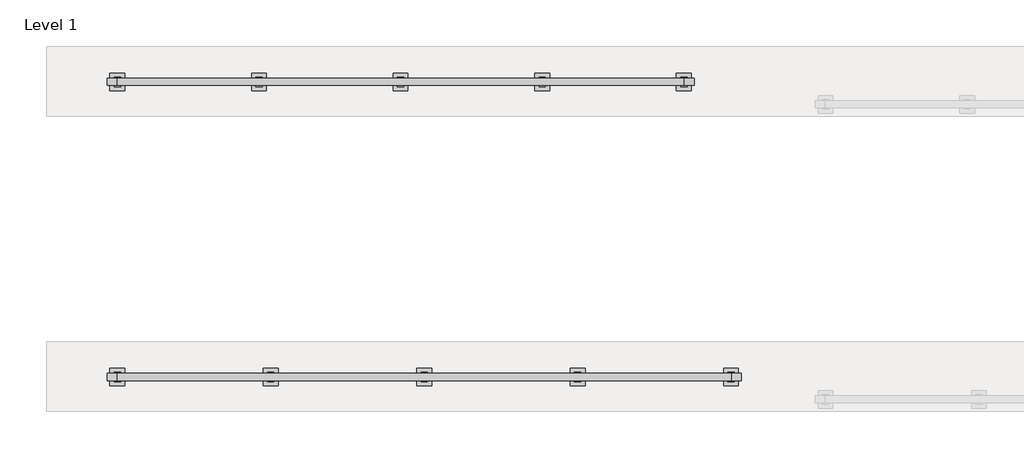
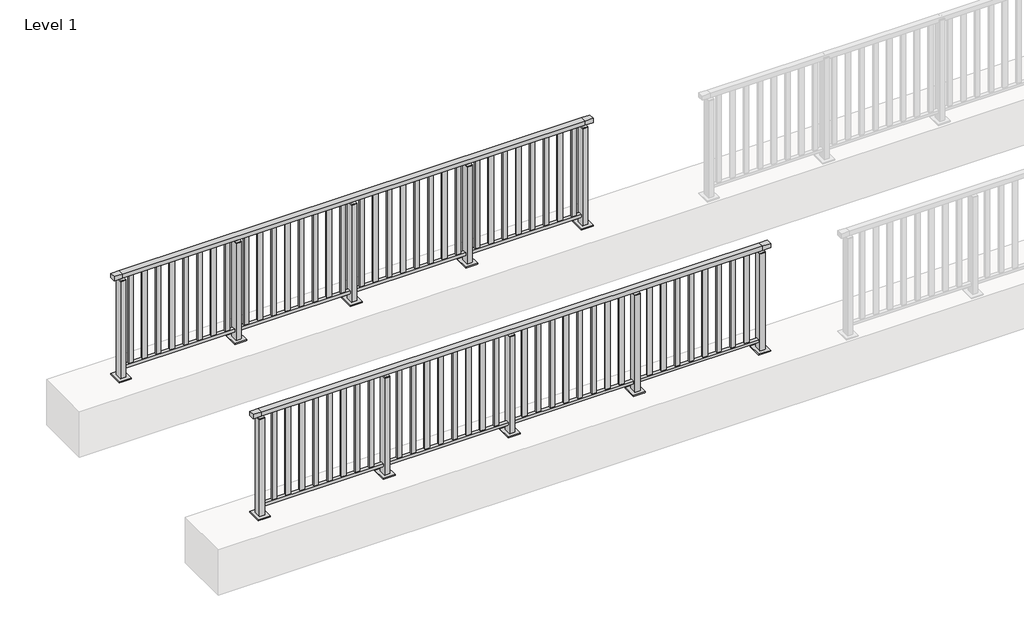
# One storey, part 26 of 38: 2 railings.
"""IFC4 building model written with IfcOpenShell, lengths in millimetres."""

from ifc_helpers import new_model, si_unit, frame, origin, origin_with_axes, place, context, project, spatial, polyline, outline, extrude, faceted_brep, element, save

model = new_model("IFC4")

# Units and contexts
model_context = context("Model", 3, world=origin())
ifc_project = project(units=[si_unit("LENGTHUNIT", "METRE", prefix="MILLI")], contexts=[model_context])

# Site, building, storey
site = spatial("IfcSite", under=ifc_project)
building = spatial("IfcBuilding", under=site)
storey = spatial("IfcBuildingStorey", under=building, Name="Level 1", Elevation=0.0)

# Railings
placement = place(None, origin())
element("IfcRailing", 1, at=placement, inside=storey, context=model_context, shape_type="SolidModel", body=[
    faceted_brep([(0.0, 45220.1846828, 1102.5), (0.0, 45220.1846828, 1150.0), (5200.0, 45220.1846828, 1150.0), (5200.0, 45220.1846828, 1102.5), (0.0, 45160.1846828, 1102.5), (5200.0, 45160.1846828, 1102.5), (0.0, 45160.1846828, 1150.0), (5200.0, 45160.1846828, 1150.0), (-87.5, 45220.1846828, 1150.0), (-87.5, 45220.1846828, 1102.5), (-87.5, 45160.1846828, 1102.5), (-87.5, 45160.1846828, 1150.0), (5287.5, 45220.1846828, 1150.0), (5287.5, 45160.1846828, 1150.0), (5287.5, 45160.1846828, 1102.5), (5287.5, 45220.1846828, 1102.5)], [[[0, 1, 2, 3]], [[4, 0, 3, 5]], [[6, 4, 5, 7]], [[1, 6, 7, 2]], [[8, 9, 10, 11]], [[9, 8, 1, 0]], [[10, 9, 0, 4]], [[11, 10, 4, 6]], [[8, 11, 6, 1]], [[12, 13, 14, 15]], [[3, 2, 12, 15]], [[5, 3, 15, 14]], [[7, 5, 14, 13]], [[2, 7, 13, 12]]]),
    extrude(outline(polyline([(0.0, 45172.1846828), (0.0, 45208.1846828), (5200.0, 45208.1846828), (5200.0, 45172.1846828), (0.0, 45172.1846828)])), frame((0.0, 0.0, 93.0), z_axis=(0.0, 0.0, 1.0), x_axis=(1.0, 0.0, 0.0)), (0.0, 0.0, 1.0), 32.0),
    extrude(outline(polyline([(5078.5106952, 45198.6846828), (5078.5106952, 45181.6846828), (5029.5106952, 45181.6846828), (5029.5106952, 45198.6846828), (5078.5106952, 45198.6846828)])), frame((0.0, 0.0, 125.0), z_axis=(0.0, 0.0, 1.0), x_axis=(1.0, 0.0, 0.0)), (0.0, 0.0, 1.0), 980.0),
    extrude(outline(polyline([(4934.5076394, 45198.6846828), (4934.5076394, 45181.6846828), (4885.5076394, 45181.6846828), (4885.5076394, 45198.6846828), (4934.5076394, 45198.6846828)])), frame((0.0, 0.0, 125.0), z_axis=(0.0, 0.0, 1.0), x_axis=(1.0, 0.0, 0.0)), (0.0, 0.0, 1.0), 980.0),
    extrude(outline(polyline([(4790.5045837, 45198.6846828), (4790.5045837, 45181.6846828), (4741.5045837, 45181.6846828), (4741.5045837, 45198.6846828), (4790.5045837, 45198.6846828)])), frame((0.0, 0.0, 125.0), z_axis=(0.0, 0.0, 1.0), x_axis=(1.0, 0.0, 0.0)), (0.0, 0.0, 1.0), 980.0),
    extrude(outline(polyline([(4646.5015279, 45198.6846828), (4646.5015279, 45181.6846828), (4597.5015279, 45181.6846828), (4597.5015279, 45198.6846828), (4646.5015279, 45198.6846828)])), frame((0.0, 0.0, 125.0), z_axis=(0.0, 0.0, 1.0), x_axis=(1.0, 0.0, 0.0)), (0.0, 0.0, 1.0), 980.0),
    extrude(outline(polyline([(4502.4984721, 45198.6846828), (4502.4984721, 45181.6846828), (4453.4984721, 45181.6846828), (4453.4984721, 45198.6846828), (4502.4984721, 45198.6846828)])), frame((0.0, 0.0, 125.0), z_axis=(0.0, 0.0, 1.0), x_axis=(1.0, 0.0, 0.0)), (0.0, 0.0, 1.0), 980.0),
    extrude(outline(polyline([(4358.4954163, 45198.6846828), (4358.4954163, 45181.6846828), (4309.4954163, 45181.6846828), (4309.4954163, 45198.6846828), (4358.4954163, 45198.6846828)])), frame((0.0, 0.0, 125.0), z_axis=(0.0, 0.0, 1.0), x_axis=(1.0, 0.0, 0.0)), (0.0, 0.0, 1.0), 980.0),
    extrude(outline(polyline([(4214.4923606, 45198.6846828), (4214.4923606, 45181.6846828), (4165.4923606, 45181.6846828), (4165.4923606, 45198.6846828), (4214.4923606, 45198.6846828)])), frame((0.0, 0.0, 125.0), z_axis=(0.0, 0.0, 1.0), x_axis=(1.0, 0.0, 0.0)), (0.0, 0.0, 1.0), 980.0),
    extrude(outline(polyline([(4070.4893048, 45198.6846828), (4070.4893048, 45181.6846828), (4021.4893048, 45181.6846828), (4021.4893048, 45198.6846828), (4070.4893048, 45198.6846828)])), frame((0.0, 0.0, 125.0), z_axis=(0.0, 0.0, 1.0), x_axis=(1.0, 0.0, 0.0)), (0.0, 0.0, 1.0), 980.0),
    extrude(outline(polyline([(3910.0, 45180.1846828), (3890.0, 45180.1846828), (3890.0, 45200.1846828), (3910.0, 45200.1846828), (3910.0, 45180.1846828)])), frame((0.0, 0.0, 1085.0), z_axis=(0.0, 0.0, 1.0), x_axis=(1.0, 0.0, 0.0)), (0.0, 0.0, 1.0), 20.0),
    extrude(outline(polyline([(3927.0, 45151.1846828), (3873.0, 45151.1846828), (3873.0, 45229.1846828), (3927.0, 45229.1846828), (3927.0, 45151.1846828)])), frame((0.0, 0.0, 1077.0), z_axis=(0.0, 0.0, 1.0), x_axis=(1.0, 0.0, 0.0)), (0.0, 0.0, 1.0), 8.0),
    extrude(outline(polyline([(3962.5, 45115.1846828), (3837.5, 45115.1846828), (3837.5, 45265.1846828), (3962.5, 45265.1846828), (3962.5, 45115.1846828)])), origin_with_axes(), (0.0, 0.0, 1.0), 12.0),
    extrude(outline(polyline([(3927.0, 45151.1846828), (3873.0, 45151.1846828), (3873.0, 45229.1846828), (3927.0, 45229.1846828), (3927.0, 45151.1846828)])), frame((0.0, 0.0, 12.0), z_axis=(0.0, 0.0, 1.0), x_axis=(1.0, 0.0, 0.0)), (0.0, 0.0, 1.0), 1065.0),
    extrude(outline(polyline([(3778.5106952, 45198.6846828), (3778.5106952, 45181.6846828), (3729.5106952, 45181.6846828), (3729.5106952, 45198.6846828), (3778.5106952, 45198.6846828)])), frame((0.0, 0.0, 125.0), z_axis=(0.0, 0.0, 1.0), x_axis=(1.0, 0.0, 0.0)), (0.0, 0.0, 1.0), 980.0),
    extrude(outline(polyline([(3634.5076394, 45198.6846828), (3634.5076394, 45181.6846828), (3585.5076394, 45181.6846828), (3585.5076394, 45198.6846828), (3634.5076394, 45198.6846828)])), frame((0.0, 0.0, 125.0), z_axis=(0.0, 0.0, 1.0), x_axis=(1.0, 0.0, 0.0)), (0.0, 0.0, 1.0), 980.0),
    extrude(outline(polyline([(3490.5045837, 45198.6846828), (3490.5045837, 45181.6846828), (3441.5045837, 45181.6846828), (3441.5045837, 45198.6846828), (3490.5045837, 45198.6846828)])), frame((0.0, 0.0, 125.0), z_axis=(0.0, 0.0, 1.0), x_axis=(1.0, 0.0, 0.0)), (0.0, 0.0, 1.0), 980.0),
    extrude(outline(polyline([(3346.5015279, 45198.6846828), (3346.5015279, 45181.6846828), (3297.5015279, 45181.6846828), (3297.5015279, 45198.6846828), (3346.5015279, 45198.6846828)])), frame((0.0, 0.0, 125.0), z_axis=(0.0, 0.0, 1.0), x_axis=(1.0, 0.0, 0.0)), (0.0, 0.0, 1.0), 980.0),
    extrude(outline(polyline([(3202.4984721, 45198.6846828), (3202.4984721, 45181.6846828), (3153.4984721, 45181.6846828), (3153.4984721, 45198.6846828), (3202.4984721, 45198.6846828)])), frame((0.0, 0.0, 125.0), z_axis=(0.0, 0.0, 1.0), x_axis=(1.0, 0.0, 0.0)), (0.0, 0.0, 1.0), 980.0),
    extrude(outline(polyline([(3058.4954163, 45198.6846828), (3058.4954163, 45181.6846828), (3009.4954163, 45181.6846828), (3009.4954163, 45198.6846828), (3058.4954163, 45198.6846828)])), frame((0.0, 0.0, 125.0), z_axis=(0.0, 0.0, 1.0), x_axis=(1.0, 0.0, 0.0)), (0.0, 0.0, 1.0), 980.0),
    extrude(outline(polyline([(2914.4923606, 45198.6846828), (2914.4923606, 45181.6846828), (2865.4923606, 45181.6846828), (2865.4923606, 45198.6846828), (2914.4923606, 45198.6846828)])), frame((0.0, 0.0, 125.0), z_axis=(0.0, 0.0, 1.0), x_axis=(1.0, 0.0, 0.0)), (0.0, 0.0, 1.0), 980.0),
    extrude(outline(polyline([(2770.4893048, 45198.6846828), (2770.4893048, 45181.6846828), (2721.4893048, 45181.6846828), (2721.4893048, 45198.6846828), (2770.4893048, 45198.6846828)])), frame((0.0, 0.0, 125.0), z_axis=(0.0, 0.0, 1.0), x_axis=(1.0, 0.0, 0.0)), (0.0, 0.0, 1.0), 980.0),
    extrude(outline(polyline([(2610.0, 45180.1846828), (2590.0, 45180.1846828), (2590.0, 45200.1846828), (2610.0, 45200.1846828), (2610.0, 45180.1846828)])), frame((0.0, 0.0, 1085.0), z_axis=(0.0, 0.0, 1.0), x_axis=(1.0, 0.0, 0.0)), (0.0, 0.0, 1.0), 20.0),
    extrude(outline(polyline([(2627.0, 45151.1846828), (2573.0, 45151.1846828), (2573.0, 45229.1846828), (2627.0, 45229.1846828), (2627.0, 45151.1846828)])), frame((0.0, 0.0, 1077.0), z_axis=(0.0, 0.0, 1.0), x_axis=(1.0, 0.0, 0.0)), (0.0, 0.0, 1.0), 8.0),
    extrude(outline(polyline([(2662.5, 45115.1846828), (2537.5, 45115.1846828), (2537.5, 45265.1846828), (2662.5, 45265.1846828), (2662.5, 45115.1846828)])), origin_with_axes(), (0.0, 0.0, 1.0), 12.0),
    extrude(outline(polyline([(2627.0, 45151.1846828), (2573.0, 45151.1846828), (2573.0, 45229.1846828), (2627.0, 45229.1846828), (2627.0, 45151.1846828)])), frame((0.0, 0.0, 12.0), z_axis=(0.0, 0.0, 1.0), x_axis=(1.0, 0.0, 0.0)), (0.0, 0.0, 1.0), 1065.0),
    extrude(outline(polyline([(2478.5106952, 45198.6846828), (2478.5106952, 45181.6846828), (2429.5106952, 45181.6846828), (2429.5106952, 45198.6846828), (2478.5106952, 45198.6846828)])), frame((0.0, 0.0, 125.0), z_axis=(0.0, 0.0, 1.0), x_axis=(1.0, 0.0, 0.0)), (0.0, 0.0, 1.0), 980.0),
    extrude(outline(polyline([(2334.5076394, 45198.6846828), (2334.5076394, 45181.6846828), (2285.5076394, 45181.6846828), (2285.5076394, 45198.6846828), (2334.5076394, 45198.6846828)])), frame((0.0, 0.0, 125.0), z_axis=(0.0, 0.0, 1.0), x_axis=(1.0, 0.0, 0.0)), (0.0, 0.0, 1.0), 980.0),
    extrude(outline(polyline([(2190.5045837, 45198.6846828), (2190.5045837, 45181.6846828), (2141.5045837, 45181.6846828), (2141.5045837, 45198.6846828), (2190.5045837, 45198.6846828)])), frame((0.0, 0.0, 125.0), z_axis=(0.0, 0.0, 1.0), x_axis=(1.0, 0.0, 0.0)), (0.0, 0.0, 1.0), 980.0),
    extrude(outline(polyline([(2046.5015279, 45198.6846828), (2046.5015279, 45181.6846828), (1997.5015279, 45181.6846828), (1997.5015279, 45198.6846828), (2046.5015279, 45198.6846828)])), frame((0.0, 0.0, 125.0), z_axis=(0.0, 0.0, 1.0), x_axis=(1.0, 0.0, 0.0)), (0.0, 0.0, 1.0), 980.0),
    extrude(outline(polyline([(1902.4984721, 45198.6846828), (1902.4984721, 45181.6846828), (1853.4984721, 45181.6846828), (1853.4984721, 45198.6846828), (1902.4984721, 45198.6846828)])), frame((0.0, 0.0, 125.0), z_axis=(0.0, 0.0, 1.0), x_axis=(1.0, 0.0, 0.0)), (0.0, 0.0, 1.0), 980.0),
    extrude(outline(polyline([(1758.4954163, 45198.6846828), (1758.4954163, 45181.6846828), (1709.4954163, 45181.6846828), (1709.4954163, 45198.6846828), (1758.4954163, 45198.6846828)])), frame((0.0, 0.0, 125.0), z_axis=(0.0, 0.0, 1.0), x_axis=(1.0, 0.0, 0.0)), (0.0, 0.0, 1.0), 980.0),
    extrude(outline(polyline([(1614.4923606, 45198.6846828), (1614.4923606, 45181.6846828), (1565.4923606, 45181.6846828), (1565.4923606, 45198.6846828), (1614.4923606, 45198.6846828)])), frame((0.0, 0.0, 125.0), z_axis=(0.0, 0.0, 1.0), x_axis=(1.0, 0.0, 0.0)), (0.0, 0.0, 1.0), 980.0),
    extrude(outline(polyline([(1470.4893048, 45198.6846828), (1470.4893048, 45181.6846828), (1421.4893048, 45181.6846828), (1421.4893048, 45198.6846828), (1470.4893048, 45198.6846828)])), frame((0.0, 0.0, 125.0), z_axis=(0.0, 0.0, 1.0), x_axis=(1.0, 0.0, 0.0)), (0.0, 0.0, 1.0), 980.0),
    extrude(outline(polyline([(1310.0, 45180.1846828), (1290.0, 45180.1846828), (1290.0, 45200.1846828), (1310.0, 45200.1846828), (1310.0, 45180.1846828)])), frame((0.0, 0.0, 1085.0), z_axis=(0.0, 0.0, 1.0), x_axis=(1.0, 0.0, 0.0)), (0.0, 0.0, 1.0), 20.0),
    extrude(outline(polyline([(1327.0, 45151.1846828), (1273.0, 45151.1846828), (1273.0, 45229.1846828), (1327.0, 45229.1846828), (1327.0, 45151.1846828)])), frame((0.0, 0.0, 1077.0), z_axis=(0.0, 0.0, 1.0), x_axis=(1.0, 0.0, 0.0)), (0.0, 0.0, 1.0), 8.0),
    extrude(outline(polyline([(1362.5, 45115.1846828), (1237.5, 45115.1846828), (1237.5, 45265.1846828), (1362.5, 45265.1846828), (1362.5, 45115.1846828)])), origin_with_axes(), (0.0, 0.0, 1.0), 12.0),
    extrude(outline(polyline([(1327.0, 45151.1846828), (1273.0, 45151.1846828), (1273.0, 45229.1846828), (1327.0, 45229.1846828), (1327.0, 45151.1846828)])), frame((0.0, 0.0, 12.0), z_axis=(0.0, 0.0, 1.0), x_axis=(1.0, 0.0, 0.0)), (0.0, 0.0, 1.0), 1065.0),
    extrude(outline(polyline([(1178.5106952, 45198.6846828), (1178.5106952, 45181.6846828), (1129.5106952, 45181.6846828), (1129.5106952, 45198.6846828), (1178.5106952, 45198.6846828)])), frame((0.0, 0.0, 125.0), z_axis=(0.0, 0.0, 1.0), x_axis=(1.0, 0.0, 0.0)), (0.0, 0.0, 1.0), 980.0),
    extrude(outline(polyline([(1034.5076394, 45198.6846828), (1034.5076394, 45181.6846828), (985.5076394, 45181.6846828), (985.5076394, 45198.6846828), (1034.5076394, 45198.6846828)])), frame((0.0, 0.0, 125.0), z_axis=(0.0, 0.0, 1.0), x_axis=(1.0, 0.0, 0.0)), (0.0, 0.0, 1.0), 980.0),
    extrude(outline(polyline([(890.5045837, 45198.6846828), (890.5045837, 45181.6846828), (841.5045837, 45181.6846828), (841.5045837, 45198.6846828), (890.5045837, 45198.6846828)])), frame((0.0, 0.0, 125.0), z_axis=(0.0, 0.0, 1.0), x_axis=(1.0, 0.0, 0.0)), (0.0, 0.0, 1.0), 980.0),
    extrude(outline(polyline([(746.5015279, 45198.6846828), (746.5015279, 45181.6846828), (697.5015279, 45181.6846828), (697.5015279, 45198.6846828), (746.5015279, 45198.6846828)])), frame((0.0, 0.0, 125.0), z_axis=(0.0, 0.0, 1.0), x_axis=(1.0, 0.0, 0.0)), (0.0, 0.0, 1.0), 980.0),
    extrude(outline(polyline([(602.4984721, 45198.6846828), (602.4984721, 45181.6846828), (553.4984721, 45181.6846828), (553.4984721, 45198.6846828), (602.4984721, 45198.6846828)])), frame((0.0, 0.0, 125.0), z_axis=(0.0, 0.0, 1.0), x_axis=(1.0, 0.0, 0.0)), (0.0, 0.0, 1.0), 980.0),
    extrude(outline(polyline([(458.4954163, 45198.6846828), (458.4954163, 45181.6846828), (409.4954163, 45181.6846828), (409.4954163, 45198.6846828), (458.4954163, 45198.6846828)])), frame((0.0, 0.0, 125.0), z_axis=(0.0, 0.0, 1.0), x_axis=(1.0, 0.0, 0.0)), (0.0, 0.0, 1.0), 980.0),
    extrude(outline(polyline([(314.4923606, 45198.6846828), (314.4923606, 45181.6846828), (265.4923606, 45181.6846828), (265.4923606, 45198.6846828), (314.4923606, 45198.6846828)])), frame((0.0, 0.0, 125.0), z_axis=(0.0, 0.0, 1.0), x_axis=(1.0, 0.0, 0.0)), (0.0, 0.0, 1.0), 980.0),
    extrude(outline(polyline([(170.4893048, 45198.6846828), (170.4893048, 45181.6846828), (121.4893048, 45181.6846828), (121.4893048, 45198.6846828), (170.4893048, 45198.6846828)])), frame((0.0, 0.0, 125.0), z_axis=(0.0, 0.0, 1.0), x_axis=(1.0, 0.0, 0.0)), (0.0, 0.0, 1.0), 980.0),
    extrude(outline(polyline([(5210.0, 45180.1846828), (5190.0, 45180.1846828), (5190.0, 45200.1846828), (5210.0, 45200.1846828), (5210.0, 45180.1846828)])), frame((0.0, 0.0, 1085.0), z_axis=(0.0, 0.0, 1.0), x_axis=(1.0, 0.0, 0.0)), (0.0, 0.0, 1.0), 20.0),
    extrude(outline(polyline([(5227.0, 45151.1846828), (5173.0, 45151.1846828), (5173.0, 45229.1846828), (5227.0, 45229.1846828), (5227.0, 45151.1846828)])), frame((0.0, 0.0, 1077.0), z_axis=(0.0, 0.0, 1.0), x_axis=(1.0, 0.0, 0.0)), (0.0, 0.0, 1.0), 8.0),
    extrude(outline(polyline([(5262.5, 45115.1846828), (5137.5, 45115.1846828), (5137.5, 45265.1846828), (5262.5, 45265.1846828), (5262.5, 45115.1846828)])), origin_with_axes(), (0.0, 0.0, 1.0), 12.0),
    extrude(outline(polyline([(5227.0, 45151.1846828), (5173.0, 45151.1846828), (5173.0, 45229.1846828), (5227.0, 45229.1846828), (5227.0, 45151.1846828)])), frame((0.0, 0.0, 12.0), z_axis=(0.0, 0.0, 1.0), x_axis=(1.0, 0.0, 0.0)), (0.0, 0.0, 1.0), 1065.0),
    extrude(outline(polyline([(10.0, 45180.1846828), (-10.0, 45180.1846828), (-10.0, 45200.1846828), (10.0, 45200.1846828), (10.0, 45180.1846828)])), frame((0.0, 0.0, 1085.0), z_axis=(0.0, 0.0, 1.0), x_axis=(1.0, 0.0, 0.0)), (0.0, 0.0, 1.0), 20.0),
    extrude(outline(polyline([(27.0, 45151.1846828), (-27.0, 45151.1846828), (-27.0, 45229.1846828), (27.0, 45229.1846828), (27.0, 45151.1846828)])), frame((0.0, 0.0, 1077.0), z_axis=(0.0, 0.0, 1.0), x_axis=(1.0, 0.0, 0.0)), (0.0, 0.0, 1.0), 8.0),
    extrude(outline(polyline([(62.5, 45115.1846828), (-62.5, 45115.1846828), (-62.5, 45265.1846828), (62.5, 45265.1846828), (62.5, 45115.1846828)])), origin_with_axes(), (0.0, 0.0, 1.0), 12.0),
    extrude(outline(polyline([(27.0, 45151.1846828), (-27.0, 45151.1846828), (-27.0, 45229.1846828), (27.0, 45229.1846828), (27.0, 45151.1846828)])), frame((0.0, 0.0, 12.0), z_axis=(0.0, 0.0, 1.0), x_axis=(1.0, 0.0, 0.0)), (0.0, 0.0, 1.0), 1065.0),
])
element("IfcRailing", 2, at=placement, inside=storey, context=model_context, shape_type="SolidModel", body=[
    faceted_brep([(0.0, 47720.1846828, 1102.5), (0.0, 47720.1846828, 1150.0), (4800.0, 47720.1846828, 1150.0), (4800.0, 47720.1846828, 1102.5), (0.0, 47660.1846828, 1102.5), (4800.0, 47660.1846828, 1102.5), (0.0, 47660.1846828, 1150.0), (4800.0, 47660.1846828, 1150.0), (-87.5, 47720.1846828, 1150.0), (-87.5, 47720.1846828, 1102.5), (-87.5, 47660.1846828, 1102.5), (-87.5, 47660.1846828, 1150.0), (4887.5, 47720.1846828, 1150.0), (4887.5, 47660.1846828, 1150.0), (4887.5, 47660.1846828, 1102.5), (4887.5, 47720.1846828, 1102.5)], [[[0, 1, 2, 3]], [[4, 0, 3, 5]], [[6, 4, 5, 7]], [[1, 6, 7, 2]], [[8, 9, 10, 11]], [[9, 8, 1, 0]], [[10, 9, 0, 4]], [[11, 10, 4, 6]], [[8, 11, 6, 1]], [[12, 13, 14, 15]], [[3, 2, 12, 15]], [[5, 3, 15, 14]], [[7, 5, 14, 13]], [[2, 7, 13, 12]]]),
    extrude(outline(polyline([(0.0, 47672.1846828), (0.0, 47708.1846828), (4800.0, 47708.1846828), (4800.0, 47672.1846828), (0.0, 47672.1846828)])), frame((0.0, 0.0, 93.0), z_axis=(0.0, 0.0, 1.0), x_axis=(1.0, 0.0, 0.0)), (0.0, 0.0, 1.0), 32.0),
    extrude(outline(polyline([(4725.7345679, 47698.6846828), (4725.7345679, 47681.6846828), (4676.7345679, 47681.6846828), (4676.7345679, 47698.6846828), (4725.7345679, 47698.6846828)])), frame((0.0, 0.0, 125.0), z_axis=(0.0, 0.0, 1.0), x_axis=(1.0, 0.0, 0.0)), (0.0, 0.0, 1.0), 980.0),
    extrude(outline(polyline([(4582.5246914, 47698.6846828), (4582.5246914, 47681.6846828), (4533.5246914, 47681.6846828), (4533.5246914, 47698.6846828), (4582.5246914, 47698.6846828)])), frame((0.0, 0.0, 125.0), z_axis=(0.0, 0.0, 1.0), x_axis=(1.0, 0.0, 0.0)), (0.0, 0.0, 1.0), 980.0),
    extrude(outline(polyline([(4439.3148148, 47698.6846828), (4439.3148148, 47681.6846828), (4390.3148148, 47681.6846828), (4390.3148148, 47698.6846828), (4439.3148148, 47698.6846828)])), frame((0.0, 0.0, 125.0), z_axis=(0.0, 0.0, 1.0), x_axis=(1.0, 0.0, 0.0)), (0.0, 0.0, 1.0), 980.0),
    extrude(outline(polyline([(4296.1049383, 47698.6846828), (4296.1049383, 47681.6846828), (4247.1049383, 47681.6846828), (4247.1049383, 47698.6846828), (4296.1049383, 47698.6846828)])), frame((0.0, 0.0, 125.0), z_axis=(0.0, 0.0, 1.0), x_axis=(1.0, 0.0, 0.0)), (0.0, 0.0, 1.0), 980.0),
    extrude(outline(polyline([(4152.8950617, 47698.6846828), (4152.8950617, 47681.6846828), (4103.8950617, 47681.6846828), (4103.8950617, 47698.6846828), (4152.8950617, 47698.6846828)])), frame((0.0, 0.0, 125.0), z_axis=(0.0, 0.0, 1.0), x_axis=(1.0, 0.0, 0.0)), (0.0, 0.0, 1.0), 980.0),
    extrude(outline(polyline([(4009.6851852, 47698.6846828), (4009.6851852, 47681.6846828), (3960.6851852, 47681.6846828), (3960.6851852, 47698.6846828), (4009.6851852, 47698.6846828)])), frame((0.0, 0.0, 125.0), z_axis=(0.0, 0.0, 1.0), x_axis=(1.0, 0.0, 0.0)), (0.0, 0.0, 1.0), 980.0),
    extrude(outline(polyline([(3866.4753086, 47698.6846828), (3866.4753086, 47681.6846828), (3817.4753086, 47681.6846828), (3817.4753086, 47698.6846828), (3866.4753086, 47698.6846828)])), frame((0.0, 0.0, 125.0), z_axis=(0.0, 0.0, 1.0), x_axis=(1.0, 0.0, 0.0)), (0.0, 0.0, 1.0), 980.0),
    extrude(outline(polyline([(3723.2654321, 47698.6846828), (3723.2654321, 47681.6846828), (3674.2654321, 47681.6846828), (3674.2654321, 47698.6846828), (3723.2654321, 47698.6846828)])), frame((0.0, 0.0, 125.0), z_axis=(0.0, 0.0, 1.0), x_axis=(1.0, 0.0, 0.0)), (0.0, 0.0, 1.0), 980.0),
    extrude(outline(polyline([(3610.0, 47680.1846828), (3590.0, 47680.1846828), (3590.0, 47700.1846828), (3610.0, 47700.1846828), (3610.0, 47680.1846828)])), frame((0.0, 0.0, 1085.0), z_axis=(0.0, 0.0, 1.0), x_axis=(1.0, 0.0, 0.0)), (0.0, 0.0, 1.0), 20.0),
    extrude(outline(polyline([(3627.0, 47651.1846828), (3573.0, 47651.1846828), (3573.0, 47729.1846828), (3627.0, 47729.1846828), (3627.0, 47651.1846828)])), frame((0.0, 0.0, 1077.0), z_axis=(0.0, 0.0, 1.0), x_axis=(1.0, 0.0, 0.0)), (0.0, 0.0, 1.0), 8.0),
    extrude(outline(polyline([(3662.5, 47615.1846828), (3537.5, 47615.1846828), (3537.5, 47765.1846828), (3662.5, 47765.1846828), (3662.5, 47615.1846828)])), origin_with_axes(), (0.0, 0.0, 1.0), 12.0),
    extrude(outline(polyline([(3627.0, 47651.1846828), (3573.0, 47651.1846828), (3573.0, 47729.1846828), (3627.0, 47729.1846828), (3627.0, 47651.1846828)])), frame((0.0, 0.0, 12.0), z_axis=(0.0, 0.0, 1.0), x_axis=(1.0, 0.0, 0.0)), (0.0, 0.0, 1.0), 1065.0),
    extrude(outline(polyline([(3525.7345679, 47698.6846828), (3525.7345679, 47681.6846828), (3476.7345679, 47681.6846828), (3476.7345679, 47698.6846828), (3525.7345679, 47698.6846828)])), frame((0.0, 0.0, 125.0), z_axis=(0.0, 0.0, 1.0), x_axis=(1.0, 0.0, 0.0)), (0.0, 0.0, 1.0), 980.0),
    extrude(outline(polyline([(3382.5246914, 47698.6846828), (3382.5246914, 47681.6846828), (3333.5246914, 47681.6846828), (3333.5246914, 47698.6846828), (3382.5246914, 47698.6846828)])), frame((0.0, 0.0, 125.0), z_axis=(0.0, 0.0, 1.0), x_axis=(1.0, 0.0, 0.0)), (0.0, 0.0, 1.0), 980.0),
    extrude(outline(polyline([(3239.3148148, 47698.6846828), (3239.3148148, 47681.6846828), (3190.3148148, 47681.6846828), (3190.3148148, 47698.6846828), (3239.3148148, 47698.6846828)])), frame((0.0, 0.0, 125.0), z_axis=(0.0, 0.0, 1.0), x_axis=(1.0, 0.0, 0.0)), (0.0, 0.0, 1.0), 980.0),
    extrude(outline(polyline([(3096.1049383, 47698.6846828), (3096.1049383, 47681.6846828), (3047.1049383, 47681.6846828), (3047.1049383, 47698.6846828), (3096.1049383, 47698.6846828)])), frame((0.0, 0.0, 125.0), z_axis=(0.0, 0.0, 1.0), x_axis=(1.0, 0.0, 0.0)), (0.0, 0.0, 1.0), 980.0),
    extrude(outline(polyline([(2952.8950617, 47698.6846828), (2952.8950617, 47681.6846828), (2903.8950617, 47681.6846828), (2903.8950617, 47698.6846828), (2952.8950617, 47698.6846828)])), frame((0.0, 0.0, 125.0), z_axis=(0.0, 0.0, 1.0), x_axis=(1.0, 0.0, 0.0)), (0.0, 0.0, 1.0), 980.0),
    extrude(outline(polyline([(2809.6851852, 47698.6846828), (2809.6851852, 47681.6846828), (2760.6851852, 47681.6846828), (2760.6851852, 47698.6846828), (2809.6851852, 47698.6846828)])), frame((0.0, 0.0, 125.0), z_axis=(0.0, 0.0, 1.0), x_axis=(1.0, 0.0, 0.0)), (0.0, 0.0, 1.0), 980.0),
    extrude(outline(polyline([(2666.4753086, 47698.6846828), (2666.4753086, 47681.6846828), (2617.4753086, 47681.6846828), (2617.4753086, 47698.6846828), (2666.4753086, 47698.6846828)])), frame((0.0, 0.0, 125.0), z_axis=(0.0, 0.0, 1.0), x_axis=(1.0, 0.0, 0.0)), (0.0, 0.0, 1.0), 980.0),
    extrude(outline(polyline([(2523.2654321, 47698.6846828), (2523.2654321, 47681.6846828), (2474.2654321, 47681.6846828), (2474.2654321, 47698.6846828), (2523.2654321, 47698.6846828)])), frame((0.0, 0.0, 125.0), z_axis=(0.0, 0.0, 1.0), x_axis=(1.0, 0.0, 0.0)), (0.0, 0.0, 1.0), 980.0),
    extrude(outline(polyline([(2410.0, 47680.1846828), (2390.0, 47680.1846828), (2390.0, 47700.1846828), (2410.0, 47700.1846828), (2410.0, 47680.1846828)])), frame((0.0, 0.0, 1085.0), z_axis=(0.0, 0.0, 1.0), x_axis=(1.0, 0.0, 0.0)), (0.0, 0.0, 1.0), 20.0),
    extrude(outline(polyline([(2427.0, 47651.1846828), (2373.0, 47651.1846828), (2373.0, 47729.1846828), (2427.0, 47729.1846828), (2427.0, 47651.1846828)])), frame((0.0, 0.0, 1077.0), z_axis=(0.0, 0.0, 1.0), x_axis=(1.0, 0.0, 0.0)), (0.0, 0.0, 1.0), 8.0),
    extrude(outline(polyline([(2462.5, 47615.1846828), (2337.5, 47615.1846828), (2337.5, 47765.1846828), (2462.5, 47765.1846828), (2462.5, 47615.1846828)])), origin_with_axes(), (0.0, 0.0, 1.0), 12.0),
    extrude(outline(polyline([(2427.0, 47651.1846828), (2373.0, 47651.1846828), (2373.0, 47729.1846828), (2427.0, 47729.1846828), (2427.0, 47651.1846828)])), frame((0.0, 0.0, 12.0), z_axis=(0.0, 0.0, 1.0), x_axis=(1.0, 0.0, 0.0)), (0.0, 0.0, 1.0), 1065.0),
    extrude(outline(polyline([(2325.7345679, 47698.6846828), (2325.7345679, 47681.6846828), (2276.7345679, 47681.6846828), (2276.7345679, 47698.6846828), (2325.7345679, 47698.6846828)])), frame((0.0, 0.0, 125.0), z_axis=(0.0, 0.0, 1.0), x_axis=(1.0, 0.0, 0.0)), (0.0, 0.0, 1.0), 980.0),
    extrude(outline(polyline([(2182.5246914, 47698.6846828), (2182.5246914, 47681.6846828), (2133.5246914, 47681.6846828), (2133.5246914, 47698.6846828), (2182.5246914, 47698.6846828)])), frame((0.0, 0.0, 125.0), z_axis=(0.0, 0.0, 1.0), x_axis=(1.0, 0.0, 0.0)), (0.0, 0.0, 1.0), 980.0),
    extrude(outline(polyline([(2039.3148148, 47698.6846828), (2039.3148148, 47681.6846828), (1990.3148148, 47681.6846828), (1990.3148148, 47698.6846828), (2039.3148148, 47698.6846828)])), frame((0.0, 0.0, 125.0), z_axis=(0.0, 0.0, 1.0), x_axis=(1.0, 0.0, 0.0)), (0.0, 0.0, 1.0), 980.0),
    extrude(outline(polyline([(1896.1049383, 47698.6846828), (1896.1049383, 47681.6846828), (1847.1049383, 47681.6846828), (1847.1049383, 47698.6846828), (1896.1049383, 47698.6846828)])), frame((0.0, 0.0, 125.0), z_axis=(0.0, 0.0, 1.0), x_axis=(1.0, 0.0, 0.0)), (0.0, 0.0, 1.0), 980.0),
    extrude(outline(polyline([(1752.8950617, 47698.6846828), (1752.8950617, 47681.6846828), (1703.8950617, 47681.6846828), (1703.8950617, 47698.6846828), (1752.8950617, 47698.6846828)])), frame((0.0, 0.0, 125.0), z_axis=(0.0, 0.0, 1.0), x_axis=(1.0, 0.0, 0.0)), (0.0, 0.0, 1.0), 980.0),
    extrude(outline(polyline([(1609.6851852, 47698.6846828), (1609.6851852, 47681.6846828), (1560.6851852, 47681.6846828), (1560.6851852, 47698.6846828), (1609.6851852, 47698.6846828)])), frame((0.0, 0.0, 125.0), z_axis=(0.0, 0.0, 1.0), x_axis=(1.0, 0.0, 0.0)), (0.0, 0.0, 1.0), 980.0),
    extrude(outline(polyline([(1466.4753086, 47698.6846828), (1466.4753086, 47681.6846828), (1417.4753086, 47681.6846828), (1417.4753086, 47698.6846828), (1466.4753086, 47698.6846828)])), frame((0.0, 0.0, 125.0), z_axis=(0.0, 0.0, 1.0), x_axis=(1.0, 0.0, 0.0)), (0.0, 0.0, 1.0), 980.0),
    extrude(outline(polyline([(1323.2654321, 47698.6846828), (1323.2654321, 47681.6846828), (1274.2654321, 47681.6846828), (1274.2654321, 47698.6846828), (1323.2654321, 47698.6846828)])), frame((0.0, 0.0, 125.0), z_axis=(0.0, 0.0, 1.0), x_axis=(1.0, 0.0, 0.0)), (0.0, 0.0, 1.0), 980.0),
    extrude(outline(polyline([(1210.0, 47680.1846828), (1190.0, 47680.1846828), (1190.0, 47700.1846828), (1210.0, 47700.1846828), (1210.0, 47680.1846828)])), frame((0.0, 0.0, 1085.0), z_axis=(0.0, 0.0, 1.0), x_axis=(1.0, 0.0, 0.0)), (0.0, 0.0, 1.0), 20.0),
    extrude(outline(polyline([(1227.0, 47651.1846828), (1173.0, 47651.1846828), (1173.0, 47729.1846828), (1227.0, 47729.1846828), (1227.0, 47651.1846828)])), frame((0.0, 0.0, 1077.0), z_axis=(0.0, 0.0, 1.0), x_axis=(1.0, 0.0, 0.0)), (0.0, 0.0, 1.0), 8.0),
    extrude(outline(polyline([(1262.5, 47615.1846828), (1137.5, 47615.1846828), (1137.5, 47765.1846828), (1262.5, 47765.1846828), (1262.5, 47615.1846828)])), origin_with_axes(), (0.0, 0.0, 1.0), 12.0),
    extrude(outline(polyline([(1227.0, 47651.1846828), (1173.0, 47651.1846828), (1173.0, 47729.1846828), (1227.0, 47729.1846828), (1227.0, 47651.1846828)])), frame((0.0, 0.0, 12.0), z_axis=(0.0, 0.0, 1.0), x_axis=(1.0, 0.0, 0.0)), (0.0, 0.0, 1.0), 1065.0),
    extrude(outline(polyline([(1125.7345679, 47698.6846828), (1125.7345679, 47681.6846828), (1076.7345679, 47681.6846828), (1076.7345679, 47698.6846828), (1125.7345679, 47698.6846828)])), frame((0.0, 0.0, 125.0), z_axis=(0.0, 0.0, 1.0), x_axis=(1.0, 0.0, 0.0)), (0.0, 0.0, 1.0), 980.0),
    extrude(outline(polyline([(982.5246914, 47698.6846828), (982.5246914, 47681.6846828), (933.5246914, 47681.6846828), (933.5246914, 47698.6846828), (982.5246914, 47698.6846828)])), frame((0.0, 0.0, 125.0), z_axis=(0.0, 0.0, 1.0), x_axis=(1.0, 0.0, 0.0)), (0.0, 0.0, 1.0), 980.0),
    extrude(outline(polyline([(839.3148148, 47698.6846828), (839.3148148, 47681.6846828), (790.3148148, 47681.6846828), (790.3148148, 47698.6846828), (839.3148148, 47698.6846828)])), frame((0.0, 0.0, 125.0), z_axis=(0.0, 0.0, 1.0), x_axis=(1.0, 0.0, 0.0)), (0.0, 0.0, 1.0), 980.0),
    extrude(outline(polyline([(696.1049383, 47698.6846828), (696.1049383, 47681.6846828), (647.1049383, 47681.6846828), (647.1049383, 47698.6846828), (696.1049383, 47698.6846828)])), frame((0.0, 0.0, 125.0), z_axis=(0.0, 0.0, 1.0), x_axis=(1.0, 0.0, 0.0)), (0.0, 0.0, 1.0), 980.0),
    extrude(outline(polyline([(552.8950617, 47698.6846828), (552.8950617, 47681.6846828), (503.8950617, 47681.6846828), (503.8950617, 47698.6846828), (552.8950617, 47698.6846828)])), frame((0.0, 0.0, 125.0), z_axis=(0.0, 0.0, 1.0), x_axis=(1.0, 0.0, 0.0)), (0.0, 0.0, 1.0), 980.0),
    extrude(outline(polyline([(409.6851852, 47698.6846828), (409.6851852, 47681.6846828), (360.6851852, 47681.6846828), (360.6851852, 47698.6846828), (409.6851852, 47698.6846828)])), frame((0.0, 0.0, 125.0), z_axis=(0.0, 0.0, 1.0), x_axis=(1.0, 0.0, 0.0)), (0.0, 0.0, 1.0), 980.0),
    extrude(outline(polyline([(266.4753086, 47698.6846828), (266.4753086, 47681.6846828), (217.4753086, 47681.6846828), (217.4753086, 47698.6846828), (266.4753086, 47698.6846828)])), frame((0.0, 0.0, 125.0), z_axis=(0.0, 0.0, 1.0), x_axis=(1.0, 0.0, 0.0)), (0.0, 0.0, 1.0), 980.0),
    extrude(outline(polyline([(123.2654321, 47698.6846828), (123.2654321, 47681.6846828), (74.2654321, 47681.6846828), (74.2654321, 47698.6846828), (123.2654321, 47698.6846828)])), frame((0.0, 0.0, 125.0), z_axis=(0.0, 0.0, 1.0), x_axis=(1.0, 0.0, 0.0)), (0.0, 0.0, 1.0), 980.0),
    extrude(outline(polyline([(4810.0, 47680.1846828), (4790.0, 47680.1846828), (4790.0, 47700.1846828), (4810.0, 47700.1846828), (4810.0, 47680.1846828)])), frame((0.0, 0.0, 1085.0), z_axis=(0.0, 0.0, 1.0), x_axis=(1.0, 0.0, 0.0)), (0.0, 0.0, 1.0), 20.0),
    extrude(outline(polyline([(4827.0, 47651.1846828), (4773.0, 47651.1846828), (4773.0, 47729.1846828), (4827.0, 47729.1846828), (4827.0, 47651.1846828)])), frame((0.0, 0.0, 1077.0), z_axis=(0.0, 0.0, 1.0), x_axis=(1.0, 0.0, 0.0)), (0.0, 0.0, 1.0), 8.0),
    extrude(outline(polyline([(4862.5, 47615.1846828), (4737.5, 47615.1846828), (4737.5, 47765.1846828), (4862.5, 47765.1846828), (4862.5, 47615.1846828)])), origin_with_axes(), (0.0, 0.0, 1.0), 12.0),
    extrude(outline(polyline([(4827.0, 47651.1846828), (4773.0, 47651.1846828), (4773.0, 47729.1846828), (4827.0, 47729.1846828), (4827.0, 47651.1846828)])), frame((0.0, 0.0, 12.0), z_axis=(0.0, 0.0, 1.0), x_axis=(1.0, 0.0, 0.0)), (0.0, 0.0, 1.0), 1065.0),
    extrude(outline(polyline([(10.0, 47680.1846828), (-10.0, 47680.1846828), (-10.0, 47700.1846828), (10.0, 47700.1846828), (10.0, 47680.1846828)])), frame((0.0, 0.0, 1085.0), z_axis=(0.0, 0.0, 1.0), x_axis=(1.0, 0.0, 0.0)), (0.0, 0.0, 1.0), 20.0),
    extrude(outline(polyline([(27.0, 47651.1846828), (-27.0, 47651.1846828), (-27.0, 47729.1846828), (27.0, 47729.1846828), (27.0, 47651.1846828)])), frame((0.0, 0.0, 1077.0), z_axis=(0.0, 0.0, 1.0), x_axis=(1.0, 0.0, 0.0)), (0.0, 0.0, 1.0), 8.0),
    extrude(outline(polyline([(62.5, 47615.1846828), (-62.5, 47615.1846828), (-62.5, 47765.1846828), (62.5, 47765.1846828), (62.5, 47615.1846828)])), origin_with_axes(), (0.0, 0.0, 1.0), 12.0),
    extrude(outline(polyline([(27.0, 47651.1846828), (-27.0, 47651.1846828), (-27.0, 47729.1846828), (27.0, 47729.1846828), (27.0, 47651.1846828)])), frame((0.0, 0.0, 12.0), z_axis=(0.0, 0.0, 1.0), x_axis=(1.0, 0.0, 0.0)), (0.0, 0.0, 1.0), 1065.0),
])

save(model, "model.ifc")
